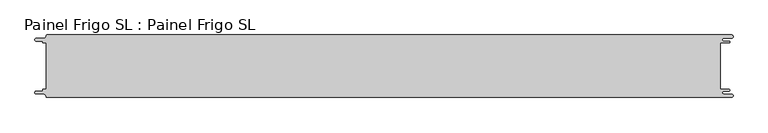
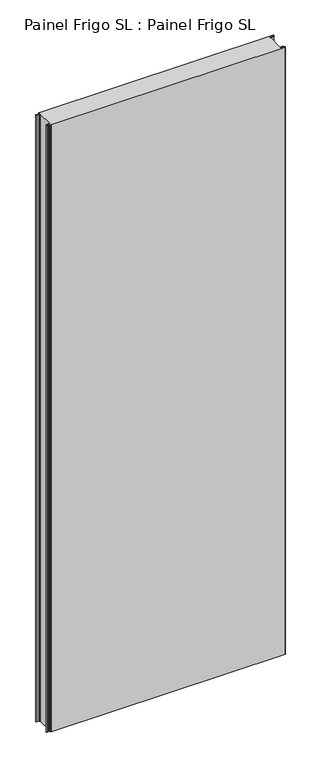
"""IFC4 building model written with IfcOpenShell, lengths in millimetres: proxy geometry, Painel Frigo SL : Painel Frigo SL."""

from ifc_helpers import new_model, si_unit, frame, origin, place, context, project, spatial, polyline, circle_curve, source, transform, mapped, element, save
from ifc_brep_helpers import plane_surface, cylinder_surface, revolved_surface, advanced_brep


def painel_frigo_sl_painel_frigo_sl_de82f151(model_context):
    return source(origin(), model_context, "Body", "AdvancedBrep", [
        advanced_brep(
        [(-554.5874998, 37.3, 3000.0), (-549.2999612, 37.3, 3000.0), (-549.2999612, -37.2999995, 3000.0), (-554.5874998, -37.2999995, 3000.0), (-555.1875003, -37.9, 3000.0), (-555.1875003, -38.7085185, 3000.0), (-556.5875003, -40.1085185, 3000.0), (-565.565625, -40.1085185, 3000.0), (-565.565625, -44.5085185, 3000.0), (-553.55, -44.5085185, 3000.0), (-550.0, -48.0585185, 3000.0), (-548.05, -50.0, 3000.0), (546.89375, -50.0, 3000.0), (546.89375, -44.725, 3000.0), (534.45625, -44.725, 3000.0), (534.45625, -39.875, 3000.0), (543.1187503, -39.875, 3000.0), (543.1187503, -37.3, 3000.0), (529.2687503, -37.3, 3000.0), (529.2687503, 37.3, 3000.0), (543.1187503, 37.3, 3000.0), (543.1187503, 39.875, 3000.0), (534.45625, 39.875, 3000.0), (534.45625, 44.725, 3000.0), (546.89375, 44.725, 3000.0), (546.89375, 50.0, 3000.0), (-548.05, 50.0, 3000.0), (-550.0, 48.05, 3000.0), (-553.55, 44.5085185, 3000.0), (-565.565625, 44.5085185, 3000.0), (-565.565625, 40.1085187, 3000.0), (-556.5875001, 40.1085187, 3000.0), (-555.1874998, 38.7085184, 3000.0), (-555.1874998, 37.9, 3000.0), (-554.5874998, 37.3, 0.0), (-555.1874998, 37.9, 0.0), (-555.1874998, 38.7085184, 0.0), (-556.5875001, 40.1085187, 0.0), (-565.565625, 40.1085187, 0.0), (-565.565625, 44.5085185, 0.0), (-553.55, 44.5085185, 0.0), (-550.0, 48.0585185, 0.0), (-548.05, 50.0, 0.0), (546.89375, 50.0, 0.0), (546.89375, 44.725, 0.0), (534.45625, 44.725, 0.0), (534.45625, 39.875, 0.0), (543.1187503, 39.875, 0.0), (543.1187503, 37.3, 0.0), (529.2687503, 37.3, 0.0), (529.2687503, -37.3, 0.0), (543.1187503, -37.3, 0.0), (543.1187503, -39.875, 0.0), (534.45625, -39.875, 0.0), (534.45625, -44.725, 0.0), (546.89375, -44.725, 0.0), (546.89375, -50.0, 0.0), (-548.05, -50.0, 0.0), (-550.0, -48.05, 0.0), (-553.55, -44.5085185, 0.0), (-565.565625, -44.5085185, 0.0), (-565.565625, -40.1085185, 0.0), (-556.5875003, -40.1085185, 0.0), (-555.1875003, -38.7085185, 0.0), (-555.1875003, -37.9, 0.0), (-554.5874998, -37.2999995, 0.0), (-549.2999612, -37.2999995, 0.0), (-549.2999612, 37.3, 0.0)],
        [
            (0, 1),
            (1, 2),
            (2, 3),
            (3, 4, circle_curve(frame((-554.5874998, -37.9, 3000.0), z_axis=(0.0, 0.0, 1.0), x_axis=(1.0, 0.0, 0.0)), 0.6000005)),
            (4, 5),
            (5, 6, circle_curve(frame((-556.5875003, -38.7085185, 3000.0), z_axis=(0.0, 0.0, -1.0), x_axis=(1.0, 0.0, 0.0)), 1.4)),
            (6, 7),
            (7, 8, circle_curve(frame((-565.565625, -42.3085185, 3000.0), z_axis=(0.0, 0.0, 1.0), x_axis=(1.0, 0.0, 0.0)), 2.2)),
            (8, 9),
            (9, 10, circle_curve(frame((-553.55, -48.0585185, 3000.0), z_axis=(0.0, 0.0, -1.0), x_axis=(1.0, 0.0, 0.0)), 3.55)),
            (10, 11, circle_curve(frame((-548.05, -48.05, 3000.0), z_axis=(0.0, 0.0, 1.0), x_axis=(1.0, 0.0, 0.0)), 1.95)),
            (11, 12),
            (12, 13, circle_curve(frame((546.89375, -47.3625, 3000.0), z_axis=(0.0, 0.0, 1.0), x_axis=(1.0, 0.0, 0.0)), 2.6375)),
            (13, 14),
            (14, 15, circle_curve(frame((534.45625, -42.3, 3000.0), z_axis=(0.0, 0.0, -1.0), x_axis=(1.0, 0.0, 0.0)), 2.425)),
            (15, 16),
            (16, 17, circle_curve(frame((543.1187503, -38.5875, 3000.0), z_axis=(0.0, 0.0, 1.0), x_axis=(1.0, 0.0, 0.0)), 1.2875)),
            (17, 18),
            (18, 19),
            (19, 20),
            (20, 21, circle_curve(frame((543.1187503, 38.5875, 3000.0), z_axis=(0.0, 0.0, 1.0), x_axis=(1.0, 0.0, 0.0)), 1.2875)),
            (21, 22),
            (22, 23, circle_curve(frame((534.45625, 42.3, 3000.0), z_axis=(0.0, 0.0, -1.0), x_axis=(1.0, 0.0, 0.0)), 2.425)),
            (23, 24),
            (24, 25, circle_curve(frame((546.89375, 47.3625, 3000.0), z_axis=(0.0, 0.0, 1.0), x_axis=(1.0, 0.0, 0.0)), 2.6375)),
            (25, 26),
            (26, 27, circle_curve(frame((-548.05, 48.05, 3000.0), z_axis=(0.0, 0.0, 1.0), x_axis=(1.0, 0.0, 0.0)), 1.95)),
            (27, 28, circle_curve(frame((-553.55, 48.0585185, 3000.0), z_axis=(0.0, 0.0, -1.0), x_axis=(1.0, 0.0, 0.0)), 3.55)),
            (28, 29),
            (29, 30, circle_curve(frame((-565.565625, 42.3085186, 3000.0), z_axis=(0.0, 0.0, 1.0), x_axis=(1.0, 0.0, 0.0)), 2.1999999)),
            (30, 31),
            (31, 32, circle_curve(frame((-556.5875001, 38.7085184, 3000.0), z_axis=(0.0, 0.0, -1.0), x_axis=(1.0, 0.0, 0.0)), 1.4000003)),
            (32, 33),
            (33, 0, circle_curve(frame((-554.5874998, 37.9, 3000.0), z_axis=(0.0, 0.0, 1.0), x_axis=(1.0, 0.0, 0.0)), 0.6)),
            (34, 35, circle_curve(frame((-554.5874998, 37.9, 0.0), z_axis=(0.0, 0.0, -1.0), x_axis=(1.0, 0.0, 0.0)), 0.6)),
            (35, 36),
            (36, 37, circle_curve(frame((-556.5875001, 38.7085184, 0.0), z_axis=(0.0, 0.0, 1.0), x_axis=(1.0, 0.0, 0.0)), 1.4000003)),
            (37, 38),
            (38, 39, circle_curve(frame((-565.565625, 42.3085186, 0.0), z_axis=(0.0, 0.0, -1.0), x_axis=(1.0, 0.0, 0.0)), 2.1999999)),
            (39, 40),
            (40, 41, circle_curve(frame((-553.55, 48.0585185, 0.0), z_axis=(0.0, 0.0, 1.0), x_axis=(1.0, 0.0, 0.0)), 3.55)),
            (41, 42, circle_curve(frame((-548.05, 48.05, 0.0), z_axis=(0.0, 0.0, -1.0), x_axis=(1.0, 0.0, 0.0)), 1.95)),
            (42, 43),
            (43, 44, circle_curve(frame((546.89375, 47.3625, 0.0), z_axis=(0.0, 0.0, -1.0), x_axis=(1.0, 0.0, 0.0)), 2.6375)),
            (44, 45),
            (45, 46, circle_curve(frame((534.45625, 42.3, 0.0), z_axis=(0.0, 0.0, 1.0), x_axis=(1.0, 0.0, 0.0)), 2.425)),
            (46, 47),
            (47, 48, circle_curve(frame((543.1187503, 38.5875, 0.0), z_axis=(0.0, 0.0, -1.0), x_axis=(1.0, 0.0, 0.0)), 1.2875)),
            (48, 49),
            (49, 50),
            (50, 51),
            (51, 52, circle_curve(frame((543.1187503, -38.5875, 0.0), z_axis=(0.0, 0.0, -1.0), x_axis=(1.0, 0.0, 0.0)), 1.2875)),
            (52, 53),
            (53, 54, circle_curve(frame((534.45625, -42.3, 0.0), z_axis=(0.0, 0.0, 1.0), x_axis=(1.0, 0.0, 0.0)), 2.425)),
            (54, 55),
            (55, 56, circle_curve(frame((546.89375, -47.3625, 0.0), z_axis=(0.0, 0.0, -1.0), x_axis=(1.0, 0.0, 0.0)), 2.6375)),
            (56, 57),
            (57, 58, circle_curve(frame((-548.05, -48.05, 0.0), z_axis=(0.0, 0.0, -1.0), x_axis=(1.0, 0.0, 0.0)), 1.95)),
            (58, 59, circle_curve(frame((-553.55, -48.0585185, 0.0), z_axis=(0.0, 0.0, 1.0), x_axis=(1.0, 0.0, 0.0)), 3.55)),
            (59, 60),
            (60, 61, circle_curve(frame((-565.565625, -42.3085185, 0.0), z_axis=(0.0, 0.0, -1.0), x_axis=(1.0, 0.0, 0.0)), 2.2)),
            (61, 62),
            (62, 63, circle_curve(frame((-556.5875003, -38.7085185, 0.0), z_axis=(0.0, 0.0, 1.0), x_axis=(1.0, 0.0, 0.0)), 1.4)),
            (63, 64),
            (64, 65, circle_curve(frame((-554.5874998, -37.9, 0.0), z_axis=(0.0, 0.0, -1.0), x_axis=(1.0, 0.0, 0.0)), 0.6000005)),
            (65, 66),
            (66, 67),
            (67, 34),
            (0, 34),
            (67, 1),
            (66, 2),
            (65, 3),
            (64, 4),
            (63, 5),
            (62, 6),
            (61, 7),
            (60, 8),
            (59, 9),
            (58, 10),
            (57, 11),
            (56, 12),
            (18, 50),
            (49, 19),
            (48, 20),
            (47, 21),
            (46, 22),
            (45, 23),
            (44, 24),
            (43, 25),
            (42, 26),
            (41, 27),
            (40, 28),
            (39, 29),
            (38, 30),
            (37, 31),
            (36, 32),
            (35, 33),
            (55, 13),
            (54, 14),
            (53, 15),
            (52, 16),
            (51, 17),
        ],
        [
            plane_surface(frame((-549.2999612, 37.3, 3000.0), z_axis=(0.0, 0.0, 1.0), x_axis=(1.0, 0.0, 0.0))),
            plane_surface(frame((-549.2999612, 37.3, 0.0), z_axis=(0.0, 0.0, -1.0), x_axis=(-1.0, 0.0, 0.0))),
            plane_surface(frame((-554.5874998, 37.3, 3000.0), z_axis=(0.0, -1.0, 0.0), x_axis=(0.0, 0.0, -1.0))),
            plane_surface(frame((-549.2999612, 37.3, 3000.0), z_axis=(-1.0, 0.0, 0.0), x_axis=(0.0, 0.0, -1.0))),
            plane_surface(frame((-549.2999612, -37.2999995, 3000.0), z_axis=(0.0, 1.0, 0.0), x_axis=(0.0, 0.0, -1.0))),
            cylinder_surface(frame((-554.5874998, -37.9, 0.0), z_axis=(0.0, 0.0, 1.0), x_axis=(1.0, 0.0, 0.0)), 0.6000005),
            plane_surface(frame((-555.1875003, -37.9, 3000.0), z_axis=(-1.0, 1.757860866232943e-12, 0.0), x_axis=(0.0, 0.0, -1.0))),
            revolved_surface(polyline([(-555.1875003, -38.7085185, 0.0), (-555.1875003, -38.7085185, 3000.0)]), (-556.5875003, -38.7085185, 0.0), (0.0, 0.0, -1.0)),
            plane_surface(frame((-556.5875003, -40.1085185, 3000.0), z_axis=(0.0, 1.0, 0.0), x_axis=(0.0, 0.0, -1.0))),
            cylinder_surface(frame((-565.565625, -42.3085185, 0.0), z_axis=(0.0, 0.0, 1.0), x_axis=(1.0, 0.0, 0.0)), 2.2),
            plane_surface(frame((-565.565625, -44.5085185, 3000.0), z_axis=(0.0, -1.0, 0.0), x_axis=(0.0, 0.0, -1.0))),
            revolved_surface(polyline([(-550.0, -48.0585185, 0.0), (-550.0, -48.0585185, 3000.0)]), (-553.55, -48.0585185, 0.0), (0.0, 0.0, -1.0)),
            cylinder_surface(frame((-548.05, -48.05, 0.0), z_axis=(0.0, 0.0, 1.0), x_axis=(1.0, 0.0, 0.0)), 1.95),
            plane_surface(frame((-548.05, -50.0, 3000.0), z_axis=(0.0, -1.0, 0.0), x_axis=(0.0, 0.0, -1.0))),
            plane_surface(frame((529.2687503, -37.3, 3000.0), z_axis=(1.0, 0.0, 0.0), x_axis=(0.0, 0.0, -1.0))),
            plane_surface(frame((529.2687503, 37.3, 3000.0), z_axis=(0.0, -1.0, 0.0), x_axis=(0.0, 0.0, -1.0))),
            cylinder_surface(frame((543.1187503, 38.5875, 0.0), z_axis=(0.0, 0.0, 1.0), x_axis=(1.0, 0.0, 0.0)), 1.2875),
            plane_surface(frame((543.1187503, 39.875, 3000.0), z_axis=(0.0, 1.0, 0.0), x_axis=(0.0, 0.0, -1.0))),
            revolved_surface(polyline([(536.8812499999999, 42.3, 0.0), (536.8812499999999, 42.3, 3000.0)]), (534.45625, 42.3, 0.0), (0.0, 0.0, -1.0)),
            plane_surface(frame((534.45625, 44.725, 3000.0), z_axis=(0.0, -1.0, 0.0), x_axis=(0.0, 0.0, -1.0))),
            cylinder_surface(frame((546.89375, 47.3625, 0.0), z_axis=(0.0, 0.0, 1.0), x_axis=(1.0, 0.0, 0.0)), 2.6375),
            plane_surface(frame((546.89375, 50.0, 3000.0), z_axis=(0.0, 1.0, 0.0), x_axis=(0.0, 0.0, -1.0))),
            cylinder_surface(frame((-548.05, 48.05, 0.0), z_axis=(0.0, 0.0, 1.0), x_axis=(1.0, 0.0, 0.0)), 1.95),
            revolved_surface(polyline([(-550.0, 48.0585185, 0.0), (-550.0, 48.0585185, 3000.0)]), (-553.55, 48.0585185, 0.0), (0.0, 0.0, -1.0)),
            plane_surface(frame((-553.55, 44.5085185, 3000.0), z_axis=(0.0, 1.0, 0.0), x_axis=(0.0, 0.0, -1.0))),
            cylinder_surface(frame((-565.565625, 42.3085186, 0.0), z_axis=(0.0, 0.0, 1.0), x_axis=(1.0, 0.0, 0.0)), 2.1999999),
            plane_surface(frame((-565.565625, 40.1085187, 3000.0), z_axis=(0.0, -1.0, 0.0), x_axis=(0.0, 0.0, -1.0))),
            revolved_surface(polyline([(-555.1874998000001, 38.7085184, 0.0), (-555.1874998000001, 38.7085184, 3000.0)]), (-556.5875001, 38.7085184, 0.0), (0.0, 0.0, -1.0)),
            plane_surface(frame((-555.1874998, 38.7085184, 3000.0), z_axis=(-1.0, 0.0, 0.0), x_axis=(0.0, 0.0, -1.0))),
            cylinder_surface(frame((-554.5874998, 37.9, 0.0), z_axis=(0.0, 0.0, 1.0), x_axis=(1.0, 0.0, 0.0)), 0.6),
            cylinder_surface(frame((546.89375, -47.3625, 0.0), z_axis=(0.0, 0.0, 1.0), x_axis=(1.0, 0.0, 0.0)), 2.6375),
            plane_surface(frame((546.89375, -44.725, 3000.0), z_axis=(0.0, 1.0, 0.0), x_axis=(0.0, 0.0, -1.0))),
            revolved_surface(polyline([(536.8812499999999, -42.3, 0.0), (536.8812499999999, -42.3, 3000.0)]), (534.45625, -42.3, 0.0), (0.0, 0.0, -1.0)),
            plane_surface(frame((534.45625, -39.875, 3000.0), z_axis=(0.0, -1.0, 0.0), x_axis=(0.0, 0.0, -1.0))),
            cylinder_surface(frame((543.1187503, -38.5875, 0.0), z_axis=(0.0, 0.0, 1.0), x_axis=(1.0, 0.0, 0.0)), 1.2875),
            plane_surface(frame((543.1187503, -37.3, 3000.0), z_axis=(0.0, 1.0, 0.0), x_axis=(0.0, 0.0, -1.0))),
        ],
        [
            (0, [[1, 2, 3, 4, 5, 6, 7, 8, 9, 10, 11, 12, 13, 14, 15, 16, 17, 18, 19, 20, 21, 22, 23, 24, 25, 26, 27, 28, 29, 30, 31, 32, 33, 34]]),
            (1, [[35, 36, 37, 38, 39, 40, 41, 42, 43, 44, 45, 46, 47, 48, 49, 50, 51, 52, 53, 54, 55, 56, 57, 58, 59, 60, 61, 62, 63, 64, 65, 66, 67, 68]]),
            (2, [[-1, 69, -68, 70]]),
            (3, [[-2, -70, -67, 71]]),
            (4, [[-3, -71, -66, 72]]),
            (5, [[-4, -72, -65, 73]]),
            (6, [[-5, -73, -64, 74]]),
            (7, [[-6, -74, -63, 75]]),
            (8, [[-7, -75, -62, 76]]),
            (9, [[-8, -76, -61, 77]]),
            (10, [[-9, -77, -60, 78]]),
            (11, [[-10, -78, -59, 79]]),
            (12, [[-11, -79, -58, 80]]),
            (13, [[-12, -80, -57, 81]]),
            (14, [[-19, 82, -50, 83]]),
            (15, [[-20, -83, -49, 84]]),
            (16, [[-21, -84, -48, 85]]),
            (17, [[-22, -85, -47, 86]]),
            (18, [[-23, -86, -46, 87]]),
            (19, [[-24, -87, -45, 88]]),
            (20, [[-25, -88, -44, 89]]),
            (21, [[-26, -89, -43, 90]]),
            (22, [[-27, -90, -42, 91]]),
            (23, [[-28, -91, -41, 92]]),
            (24, [[-29, -92, -40, 93]]),
            (25, [[-30, -93, -39, 94]]),
            (26, [[-31, -94, -38, 95]]),
            (27, [[-32, -95, -37, 96]]),
            (28, [[-33, -96, -36, 97]]),
            (29, [[-34, -97, -35, -69]]),
            (30, [[-13, -81, -56, 98]]),
            (31, [[-14, -98, -55, 99]]),
            (32, [[-15, -99, -54, 100]]),
            (33, [[-16, -100, -53, 101]]),
            (34, [[-17, -101, -52, 102]]),
            (35, [[-18, -102, -51, -82]]),
        ],
    ),
    ])


if __name__ == "__main__":
    model = new_model("IFC4")
    model_context = context("Model", 3, world=origin())
    ifc_project = project(units=[si_unit("LENGTHUNIT", "METRE", prefix="MILLI")], contexts=[model_context])
    site = spatial("IfcSite", under=ifc_project)
    building = spatial("IfcBuilding", under=site)
    placement = place(None, origin())
    painel_frigo_sl_painel_frigo_sl_shape = painel_frigo_sl_painel_frigo_sl_de82f151(model_context)
    element("IfcBuildingElementProxy", 1, Name="Painel Frigo SL : Painel Frigo SL", ObjectType="Painel Frigo SL : Painel Frigo SL", at=placement, inside=building, context=model_context, shape_type="MappedRepresentation", body=[
        mapped(painel_frigo_sl_painel_frigo_sl_shape, transform((0.0, 0.0, 0.0), x_axis=(1.0, 0.0, 0.0), y_axis=(0.0, 1.0, 0.0), z_axis=(0.0, 0.0, 1.0))),
    ])
    save(model, "model.ifc")
